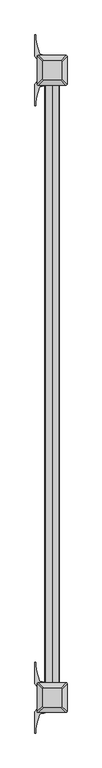
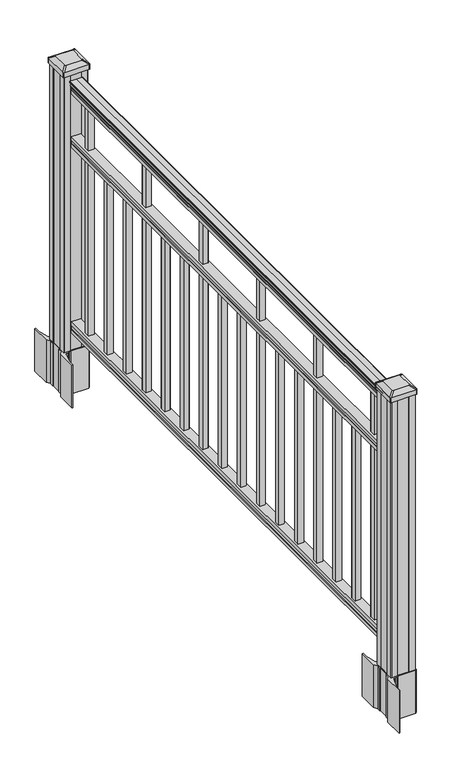
"""IFC4 building model written with IfcOpenShell, lengths in millimetres: railing geometry."""

from ifc_helpers import new_model, si_unit, point, frame, frame_2d, origin, origin_with_axes, place, context, project, spatial, polyline, circle_curve, trimmed, segment, composite_curve, outline, extrude, source, transform, mapped, element, save
from ifc_brep_helpers import plane_surface, extruded_surface, advanced_brep


def railing_216eaa17(model_context):
    return source(origin(), model_context, "Body", "SolidModel", [
        extrude(outline(composite_curve([segment(polyline([(938.4043297, -269.9529214), (940.292412, -269.9529214)]), True, "CONTINUOUS"), segment(trimmed(circle_curve(frame_2d((946.0506383, -276.2676747)), 8.545951), [point((940.292412, -269.9529214))], [point((941.8546695, -268.8227351))], False, "CARTESIAN"), True, "CONTINUOUS"), segment(trimmed(circle_curve(frame_2d((945.4636577, -275.8306117)), 7.882584), [point((941.8546695, -268.8227351))], [point((949.0726458, -268.8227351))], False, "CARTESIAN"), True, "CONTINUOUS"), segment(trimmed(circle_curve(frame_2d((951.3112527, -265.3172876)), 4.1592695), [point((949.0726458, -268.8227351))], [point((951.5060812, -269.4719915))], True, "CARTESIAN"), True, "CONTINUOUS"), segment(trimmed(circle_curve(frame_2d((951.2508864, -264.0299811)), 5.4479907), [point((951.5060812, -269.4719915))], [point((955.8362083, -266.9719915))], True, "CARTESIAN"), True, "CONTINUOUS"), segment(trimmed(circle_curve(frame_2d((955.833395, -265.2631395)), 1.7088543), [point((955.8362083, -266.9719915))], [point((957.5157972, -265.5626491))], True, "CARTESIAN"), True, "CONTINUOUS"), segment(trimmed(circle_curve(frame_2d((958.6205318, -266.8800396)), 1.7192895), [point((957.5157972, -265.5626491))], [point((958.6205318, -265.1607501))], False, "CARTESIAN"), True, "CONTINUOUS"), segment(polyline([(958.6205318, -265.1607501), (959.9608158, -265.1607502)]), True, "CONTINUOUS"), segment(trimmed(circle_curve(frame_2d((959.9608158, -266.7141974)), 1.5534472), [point((959.9608158, -265.1607502))], [point((961.514263, -266.7141974))], False, "CARTESIAN"), True, "CONTINUOUS"), segment(polyline([(961.514263, -266.7141974), (961.514263, -287.3857502), (961.514263, -308.0573029)]), True, "CONTINUOUS"), segment(trimmed(circle_curve(frame_2d((959.9608158, -308.0573029)), 1.5534472), [point((961.514263, -308.0573029))], [point((959.9608158, -309.6107502))], False, "CARTESIAN"), True, "CONTINUOUS"), segment(polyline([(959.9608158, -309.6107502), (958.6205318, -309.6107502)]), True, "CONTINUOUS"), segment(trimmed(circle_curve(frame_2d((958.6205318, -307.8914607)), 1.7192895), [point((958.6205318, -309.6107502))], [point((957.5157972, -309.2088512))], False, "CARTESIAN"), True, "CONTINUOUS"), segment(trimmed(circle_curve(frame_2d((955.833395, -309.5083608)), 1.7088543), [point((957.5157972, -309.2088512))], [point((955.8362083, -307.7995088))], True, "CARTESIAN"), True, "CONTINUOUS"), segment(trimmed(circle_curve(frame_2d((951.2508864, -310.7415193)), 5.4479907), [point((955.8362083, -307.7995088))], [point((951.5060812, -305.2995088))], True, "CARTESIAN"), True, "CONTINUOUS"), segment(trimmed(circle_curve(frame_2d((951.3112527, -309.4542127)), 4.1592695), [point((951.5060812, -305.2995088))], [point((949.0726458, -305.9487652))], True, "CARTESIAN"), True, "CONTINUOUS"), segment(trimmed(circle_curve(frame_2d((945.4636577, -298.9408886)), 7.882584), [point((949.0726458, -305.9487652))], [point((941.8546695, -305.9487652))], False, "CARTESIAN"), True, "CONTINUOUS"), segment(trimmed(circle_curve(frame_2d((946.0506383, -298.5038256)), 8.545951), [point((941.8546695, -305.9487652))], [point((940.292412, -304.8185789))], False, "CARTESIAN"), True, "CONTINUOUS"), segment(polyline([(940.292412, -304.8185789), (938.4043297, -304.8185789)]), True, "CONTINUOUS"), segment(trimmed(circle_curve(frame_2d((938.4043297, -303.5316645)), 1.2869144), [point((938.4043297, -304.8185789))], [point((938.4043297, -302.2447502))], False, "CARTESIAN"), True, "CONTINUOUS"), segment(polyline([(938.4043297, -302.2447502), (927.9048283, -302.2447502), (926.8888283, -303.2607502), (914.4, -303.2607502), (914.4, -271.5107502), (926.731013, -271.5107502), (927.747013, -272.5267502), (938.4043297, -272.5267502)]), True, "CONTINUOUS"), segment(trimmed(circle_curve(frame_2d((938.4043297, -271.2398358)), 1.2869144), [point((938.4043297, -272.5267502))], [point((938.4043297, -269.9529214))], False, "CARTESIAN"), True, "CONTINUOUS")], self_intersect=False)), frame((0.0, -114491.7191011, 0.0), z_axis=(0.0, 1.0, 0.0), x_axis=(0.0, 0.0, 1.0)), (0.0, 0.0, 1.0), 1828.8),
        extrude(outline(polyline([(736.4541976, -271.4732633), (737.7546183, -272.4892633), (748.1141717, -272.4892633), (749.4624492, -271.4732633), (761.9958781, -271.4732633), (761.9958781, -303.2232633), (749.4458024, -303.2232633), (748.0975248, -302.2072633), (737.7858283, -302.2072633), (736.4375508, -303.2232633), (723.9, -303.2232633), (723.9, -271.4732633), (736.4541976, -271.4732633)])), frame((0.0, -114491.7191011, 0.0), z_axis=(0.0, 1.0, 0.0), x_axis=(0.0, 0.0, 1.0)), (0.0, 0.0, 1.0), 1828.8),
        extrude(outline(polyline([(76.0541976, -271.4732633), (77.3546183, -272.4892633), (87.7141717, -272.4892633), (89.0624492, -271.4732633), (101.5958781, -271.4732633), (101.5958781, -303.2232633), (89.0458024, -303.2232633), (87.6975248, -302.2072633), (77.3858283, -302.2072633), (76.0375508, -303.2232633), (63.5, -303.2232633), (63.5, -271.4732633), (76.0541976, -271.4732633)])), frame((0.0, -114491.7191011, 0.0), z_axis=(0.0, 1.0, 0.0), x_axis=(0.0, 0.0, 1.0)), (0.0, 0.0, 1.0), 1828.8),
        extrude(outline(polyline([(-277.8607502, -112751.4381011), (-296.9107502, -112751.4381011), (-296.9107502, -112732.3881011), (-277.8607502, -112732.3881011), (-277.8607502, -112751.4381011)]), holes=[polyline([(-278.2576252, -112751.0412261), (-278.2576252, -112732.7849761), (-296.5138752, -112732.7849761), (-296.5138752, -112751.0412261), (-278.2576252, -112751.0412261)])]), frame((0.0, 0.0, 101.5958781), z_axis=(0.0, 0.0, 1.0), x_axis=(1.0, 0.0, 0.0)), (0.0, 0.0, 1.0), 812.8041219),
        extrude(outline(polyline([(-277.8607502, -112862.6901011), (-296.9107502, -112862.6901011), (-296.9107502, -112843.6401011), (-277.8607502, -112843.6401011), (-277.8607502, -112862.6901011)]), holes=[polyline([(-278.2576252, -112862.2932261), (-278.2576252, -112844.0369761), (-296.5138752, -112844.0369761), (-296.5138752, -112862.2932261), (-278.2576252, -112862.2932261)])]), frame((0.0, 0.0, 101.5958781), z_axis=(0.0, 0.0, 1.0), x_axis=(1.0, 0.0, 0.0)), (0.0, 0.0, 1.0), 622.3041219),
        extrude(outline(polyline([(-277.8607502, -112973.9421011), (-296.9107502, -112973.9421011), (-296.9107502, -112954.8921011), (-277.8607502, -112954.8921011), (-277.8607502, -112973.9421011)]), holes=[polyline([(-278.2576252, -112973.5452261), (-278.2576252, -112955.2889761), (-296.5138752, -112955.2889761), (-296.5138752, -112973.5452261), (-278.2576252, -112973.5452261)])]), frame((0.0, 0.0, 101.5958781), z_axis=(0.0, 0.0, 1.0), x_axis=(1.0, 0.0, 0.0)), (0.0, 0.0, 1.0), 622.3041219),
        extrude(outline(polyline([(-277.8607502, -113085.1941011), (-296.9107502, -113085.1941011), (-296.9107502, -113066.1441011), (-277.8607502, -113066.1441011), (-277.8607502, -113085.1941011)]), holes=[polyline([(-278.2576252, -113084.7972261), (-278.2576252, -113066.5409761), (-296.5138752, -113066.5409761), (-296.5138752, -113084.7972261), (-278.2576252, -113084.7972261)])]), frame((0.0, 0.0, 101.5958781), z_axis=(0.0, 0.0, 1.0), x_axis=(1.0, 0.0, 0.0)), (0.0, 0.0, 1.0), 812.8041219),
        extrude(outline(polyline([(-277.8607502, -113196.4461011), (-296.9107502, -113196.4461011), (-296.9107502, -113177.3961011), (-277.8607502, -113177.3961011), (-277.8607502, -113196.4461011)]), holes=[polyline([(-278.2576252, -113196.0492261), (-278.2576252, -113177.7929761), (-296.5138752, -113177.7929761), (-296.5138752, -113196.0492261), (-278.2576252, -113196.0492261)])]), frame((0.0, 0.0, 101.5958781), z_axis=(0.0, 0.0, 1.0), x_axis=(1.0, 0.0, 0.0)), (0.0, 0.0, 1.0), 622.3041219),
        extrude(outline(polyline([(-277.8607502, -113307.6981011), (-296.9107502, -113307.6981011), (-296.9107502, -113288.6481011), (-277.8607502, -113288.6481011), (-277.8607502, -113307.6981011)]), holes=[polyline([(-278.2576252, -113307.3012261), (-278.2576252, -113289.0449761), (-296.5138752, -113289.0449761), (-296.5138752, -113307.3012261), (-278.2576252, -113307.3012261)])]), frame((0.0, 0.0, 101.5958781), z_axis=(0.0, 0.0, 1.0), x_axis=(1.0, 0.0, 0.0)), (0.0, 0.0, 1.0), 622.3041219),
        extrude(outline(polyline([(-277.8607502, -113418.9501011), (-296.9107502, -113418.9501011), (-296.9107502, -113399.9001011), (-277.8607502, -113399.9001011), (-277.8607502, -113418.9501011)]), holes=[polyline([(-278.2576252, -113418.5532261), (-278.2576252, -113400.2969761), (-296.5138752, -113400.2969761), (-296.5138752, -113418.5532261), (-278.2576252, -113418.5532261)])]), frame((0.0, 0.0, 101.5958781), z_axis=(0.0, 0.0, 1.0), x_axis=(1.0, 0.0, 0.0)), (0.0, 0.0, 1.0), 812.8041219),
        extrude(outline(polyline([(-277.8607502, -113530.2021011), (-296.9107502, -113530.2021011), (-296.9107502, -113511.1521011), (-277.8607502, -113511.1521011), (-277.8607502, -113530.2021011)]), holes=[polyline([(-278.2576252, -113529.8052261), (-278.2576252, -113511.5489761), (-296.5138752, -113511.5489761), (-296.5138752, -113529.8052261), (-278.2576252, -113529.8052261)])]), frame((0.0, 0.0, 101.5958781), z_axis=(0.0, 0.0, 1.0), x_axis=(1.0, 0.0, 0.0)), (0.0, 0.0, 1.0), 622.3041219),
        extrude(outline(polyline([(-277.8607502, -113641.4541011), (-296.9107502, -113641.4541011), (-296.9107502, -113622.4041011), (-277.8607502, -113622.4041011), (-277.8607502, -113641.4541011)]), holes=[polyline([(-278.2576252, -113641.0572261), (-278.2576252, -113622.8009761), (-296.5138752, -113622.8009761), (-296.5138752, -113641.0572261), (-278.2576252, -113641.0572261)])]), frame((0.0, 0.0, 101.5958781), z_axis=(0.0, 0.0, 1.0), x_axis=(1.0, 0.0, 0.0)), (0.0, 0.0, 1.0), 622.3041219),
        extrude(outline(polyline([(-277.8607502, -113752.7061011), (-296.9107502, -113752.7061011), (-296.9107502, -113733.6561011), (-277.8607502, -113733.6561011), (-277.8607502, -113752.7061011)]), holes=[polyline([(-278.2576252, -113752.3092261), (-278.2576252, -113734.0529761), (-296.5138752, -113734.0529761), (-296.5138752, -113752.3092261), (-278.2576252, -113752.3092261)])]), frame((0.0, 0.0, 101.5958781), z_axis=(0.0, 0.0, 1.0), x_axis=(1.0, 0.0, 0.0)), (0.0, 0.0, 1.0), 812.8041219),
        extrude(outline(polyline([(-277.8607502, -113863.9581011), (-296.9107502, -113863.9581011), (-296.9107502, -113844.9081011), (-277.8607502, -113844.9081011), (-277.8607502, -113863.9581011)]), holes=[polyline([(-278.2576252, -113863.5612261), (-278.2576252, -113845.3049761), (-296.5138752, -113845.3049761), (-296.5138752, -113863.5612261), (-278.2576252, -113863.5612261)])]), frame((0.0, 0.0, 101.5958781), z_axis=(0.0, 0.0, 1.0), x_axis=(1.0, 0.0, 0.0)), (0.0, 0.0, 1.0), 622.3041219),
        extrude(outline(polyline([(-277.8607502, -113975.2101011), (-296.9107502, -113975.2101011), (-296.9107502, -113956.1601011), (-277.8607502, -113956.1601011), (-277.8607502, -113975.2101011)]), holes=[polyline([(-278.2576252, -113974.8132261), (-278.2576252, -113956.5569761), (-296.5138752, -113956.5569761), (-296.5138752, -113974.8132261), (-278.2576252, -113974.8132261)])]), frame((0.0, 0.0, 101.5958781), z_axis=(0.0, 0.0, 1.0), x_axis=(1.0, 0.0, 0.0)), (0.0, 0.0, 1.0), 622.3041219),
        extrude(outline(polyline([(-277.8607502, -114086.4621011), (-296.9107502, -114086.4621011), (-296.9107502, -114067.4121011), (-277.8607502, -114067.4121011), (-277.8607502, -114086.4621011)]), holes=[polyline([(-278.2576252, -114086.0652261), (-278.2576252, -114067.8089761), (-296.5138752, -114067.8089761), (-296.5138752, -114086.0652261), (-278.2576252, -114086.0652261)])]), frame((0.0, 0.0, 101.5958781), z_axis=(0.0, 0.0, 1.0), x_axis=(1.0, 0.0, 0.0)), (0.0, 0.0, 1.0), 812.8041219),
        extrude(outline(polyline([(-277.8607502, -114197.7141011), (-296.9107502, -114197.7141011), (-296.9107502, -114178.6641011), (-277.8607502, -114178.6641011), (-277.8607502, -114197.7141011)]), holes=[polyline([(-278.2576252, -114197.3172261), (-278.2576252, -114179.0609761), (-296.5138752, -114179.0609761), (-296.5138752, -114197.3172261), (-278.2576252, -114197.3172261)])]), frame((0.0, 0.0, 101.5958781), z_axis=(0.0, 0.0, 1.0), x_axis=(1.0, 0.0, 0.0)), (0.0, 0.0, 1.0), 622.3041219),
        extrude(outline(polyline([(-277.8607502, -114308.9661011), (-296.9107502, -114308.9661011), (-296.9107502, -114289.9161011), (-277.8607502, -114289.9161011), (-277.8607502, -114308.9661011)]), holes=[polyline([(-278.2576252, -114308.5692261), (-278.2576252, -114290.3129761), (-296.5138752, -114290.3129761), (-296.5138752, -114308.5692261), (-278.2576252, -114308.5692261)])]), frame((0.0, 0.0, 101.5958781), z_axis=(0.0, 0.0, 1.0), x_axis=(1.0, 0.0, 0.0)), (0.0, 0.0, 1.0), 622.3041219),
        extrude(outline(polyline([(-277.8607502, -114420.2181011), (-296.9107502, -114420.2181011), (-296.9107502, -114401.1681011), (-277.8607502, -114401.1681011), (-277.8607502, -114420.2181011)]), holes=[polyline([(-278.2576252, -114419.8212261), (-278.2576252, -114401.5649761), (-296.5138752, -114401.5649761), (-296.5138752, -114419.8212261), (-278.2576252, -114419.8212261)])]), frame((0.0, 0.0, 101.5958781), z_axis=(0.0, 0.0, 1.0), x_axis=(1.0, 0.0, 0.0)), (0.0, 0.0, 1.0), 812.8041219),
        extrude(outline(composite_curve([segment(polyline([(-244.6502502, -112638.903196), (-243.0627502, -112639.665196), (-243.0627502, -112662.4671241), (-246.4357272, -112665.8401011), (-307.895398, -112665.8401011), (-307.895398, -112666.7608511), (-313.2129419, -112666.7608511), (-313.2129419, -112668.2151058), (-318.2974716, -112668.2151058), (-318.2974716, -112669.4991297), (-319.9647439, -112669.4991297)]), True, "CONTINUOUS"), segment(trimmed(circle_curve(frame_2d((-319.9647439, -112676.5585895)), 7.0594599), [point((-319.9647439, -112669.4991297))], [point((-326.7320067, -112674.5485828))], True, "CARTESIAN"), True, "CONTINUOUS"), segment(polyline([(-326.7320067, -112674.5485828), (-334.606201, -112701.0593119)]), True, "CONTINUOUS"), segment(trimmed(circle_curve(frame_2d((-279.8216877, -112717.3313616)), 57.15), [point((-334.606201, -112701.0593119))], [point((-336.9716877, -112717.3313616))], True, "CARTESIAN"), True, "CONTINUOUS"), segment(polyline([(-336.9716877, -112717.3313616), (-336.9716877, -112729.3401011), (-339.9716877, -112729.3401011), (-339.9716877, -112664.2526011), (-331.7087502, -112652.9143098), (-331.7087502, -112639.665196), (-330.1212502, -112638.903196), (-330.1212502, -112604.1310063), (-331.7087502, -112603.3690063), (-331.7087502, -112590.1198925), (-339.9716877, -112578.7816011), (-339.9716877, -112513.6941011), (-336.9716877, -112513.6941011), (-336.9716877, -112525.7028407)]), True, "CONTINUOUS"), segment(trimmed(circle_curve(frame_2d((-279.8216877, -112525.7028407)), 57.15), [point((-336.9716877, -112525.7028407))], [point((-334.606201, -112541.9748904))], True, "CARTESIAN"), True, "CONTINUOUS"), segment(polyline([(-334.606201, -112541.9748904), (-326.7320067, -112568.4856194)]), True, "CONTINUOUS"), segment(trimmed(circle_curve(frame_2d((-319.9647439, -112566.4756128)), 7.0594599), [point((-326.7320067, -112568.4856194))], [point((-319.9647439, -112573.5350726))], True, "CARTESIAN"), True, "CONTINUOUS"), segment(polyline([(-319.9647439, -112573.5350726), (-318.2974716, -112573.5350726), (-318.2974716, -112574.8190965), (-313.2129419, -112574.8190965), (-313.2129419, -112576.2733511), (-307.895398, -112576.2733511), (-307.895398, -112577.1941011), (-246.4357272, -112577.1941011), (-243.0627502, -112580.5670782), (-243.0627502, -112603.3690063), (-244.6502502, -112604.1310063), (-244.6502502, -112638.903196)]), True, "CONTINUOUS")], self_intersect=False), holes=[polyline([(-328.6607502, -112581.8296011), (-328.6607502, -112661.2046011), (-327.0732502, -112662.7921011), (-290.1489675, -112662.7921011), (-247.6982502, -112662.7921011), (-246.1107502, -112661.2046011), (-246.1107502, -112581.8296011), (-247.6982502, -112580.2421011), (-290.1489675, -112580.2421011), (-327.0732502, -112580.2421011), (-328.6607502, -112581.8296011)])]), frame((0.0, 0.0, -152.4), z_axis=(0.0, 0.0, 1.0), x_axis=(1.0, 0.0, 0.0)), (0.0, 0.0, 1.0), 152.4),
        advanced_brep(
        [(-313.1826252, -112650.4889761, 1012.825), (-261.5888752, -112650.4889761, 1012.825), (-258.4138752, -112647.3139761, 1012.825), (-258.4138752, -112595.7202261, 1012.825), (-261.5888752, -112592.5452261, 1012.825), (-313.1826252, -112592.5452261, 1012.825), (-316.3576252, -112595.7202261, 1012.825), (-316.3576252, -112647.3139761, 1012.825), (-329.4545002, -112666.7608511, 1001.522), (-332.6295002, -112663.5858511, 1001.522), (-332.6295002, -112579.4483511, 1001.522), (-329.4545002, -112576.2733511, 1001.522), (-245.3170002, -112576.2733511, 1001.522), (-242.1420002, -112579.4483511, 1001.522), (-242.1420002, -112663.5858511, 1001.522), (-245.3170002, -112666.7608511, 1001.522)],
        [
            (0, 1),
            (1, 2, circle_curve(frame((-261.5888752, -112647.3139761, 1012.825), z_axis=(0.0, 0.0, 1.0), x_axis=(0.0, 1.0, 0.0)), 3.175)),
            (2, 3),
            (3, 4, circle_curve(frame((-261.5888752, -112595.7202261, 1012.825), z_axis=(0.0, 0.0, 1.0), x_axis=(0.0, 1.0, 0.0)), 3.175)),
            (4, 5),
            (5, 6, circle_curve(frame((-313.1826252, -112595.7202261, 1012.825), z_axis=(0.0, 0.0, 1.0), x_axis=(0.0, 1.0, 0.0)), 3.175)),
            (6, 7),
            (7, 0, circle_curve(frame((-313.1826252, -112647.3139761, 1012.825), z_axis=(0.0, 0.0, 1.0), x_axis=(0.0, 1.0, 0.0)), 3.175)),
            (8, 9, circle_curve(frame((-329.4545002, -112663.5858511, 1001.522), z_axis=(0.0, 0.0, -1.0), x_axis=(0.0, 1.0, 0.0)), 3.175)),
            (9, 10),
            (10, 11, circle_curve(frame((-329.4545002, -112579.4483511, 1001.522), z_axis=(0.0, 0.0, -1.0), x_axis=(0.0, 1.0, 0.0)), 3.175)),
            (11, 12),
            (12, 13, circle_curve(frame((-245.3170002, -112579.4483511, 1001.522), z_axis=(0.0, 0.0, -1.0), x_axis=(0.0, 1.0, 0.0)), 3.175)),
            (13, 14),
            (14, 15, circle_curve(frame((-245.3170002, -112663.5858511, 1001.522), z_axis=(0.0, 0.0, -1.0), x_axis=(0.0, 1.0, 0.0)), 3.175)),
            (15, 8),
            (8, 0),
            (7, 9),
            (6, 10),
            (5, 11),
            (4, 12),
            (3, 13),
            (2, 14),
            (1, 15),
        ],
        [
            plane_surface(frame((-287.3857502, -112621.5171011, 1012.825), z_axis=(0.0, 0.0, 1.0), x_axis=(-1.0, 0.0, 0.0))),
            plane_surface(frame((-287.3857502, -112621.5171011, 1001.522), z_axis=(0.0, 0.0, -1.0), x_axis=(-1.0, 0.0, 0.0))),
            extruded_surface(trimmed(circle_curve(frame((-313.1826252, -112647.3139761, 1012.825), z_axis=(0.0, 0.0, -1.0), x_axis=(0.0, 1.0, 0.0)), 3.175), [point((-313.1826252, -112650.4889761, 1012.825))], [point((-316.3576252, -112647.3139761, 1012.825))], True, "CARTESIAN"), (-16.271874999999966, -16.27187499999127, -11.302999999999997), 25.6379726388606),
            plane_surface(frame((-332.6295002, -112621.5171011, 1001.522), z_axis=(-0.5705009161540779, 0.0, 0.8212969649690408), x_axis=(0.0, 1.0, 0.0))),
            extruded_surface(trimmed(circle_curve(frame((-313.1826252, -112595.7202261, 1012.825), z_axis=(0.0, 0.0, -1.0), x_axis=(0.0, 1.0, 0.0)), 3.175), [point((-316.3576252, -112595.7202261, 1012.825))], [point((-313.1826252, -112592.5452261, 1012.825))], True, "CARTESIAN"), (-16.271874999999966, 16.27187500000582, -11.302999999999997), 25.637972638869837),
            plane_surface(frame((-287.3857502, -112576.2733511, 1001.522), z_axis=(0.0, 0.5705009161540291, 0.8212969649690747), x_axis=(1.0, 0.0, 0.0))),
            extruded_surface(trimmed(circle_curve(frame((-261.5888752, -112595.7202261, 1012.825), z_axis=(0.0, 0.0, -1.0), x_axis=(0.0, 1.0, 0.0)), 3.175), [point((-261.5888752, -112592.5452261, 1012.825))], [point((-258.4138752, -112595.7202261, 1012.825))], True, "CARTESIAN"), (16.271875000000023, 16.27187500000582, -11.302999999999997), 25.637972638869872),
            plane_surface(frame((-242.1420002, -112621.5171011, 1001.522), z_axis=(0.5705009161540141, 0.0, 0.8212969649690851), x_axis=(0.0, -1.0, 0.0))),
            extruded_surface(trimmed(circle_curve(frame((-261.5888752, -112647.3139761, 1012.825), z_axis=(0.0, 0.0, -1.0), x_axis=(0.0, 1.0, 0.0)), 3.175), [point((-258.4138752, -112647.3139761, 1012.825))], [point((-261.5888752, -112650.4889761, 1012.825))], True, "CARTESIAN"), (16.271875000000023, -16.27187499999127, -11.302999999999997), 25.637972638860635),
            plane_surface(frame((-287.3857502, -112666.7608511, 1001.522), z_axis=(0.0, -0.570500916154034, 0.8212969649690713), x_axis=(-1.0, 0.0, 0.0))),
        ],
        [
            (0, [[1, 2, 3, 4, 5, 6, 7, 8]]),
            (1, [[9, 10, 11, 12, 13, 14, 15, 16]]),
            (2, [[17, -8, 18, -9]]),
            (3, [[-18, -7, 19, -10]]),
            (4, [[-19, -6, 20, -11]]),
            (5, [[-20, -5, 21, -12]]),
            (6, [[-21, -4, 22, -13]]),
            (7, [[-22, -3, 23, -14]]),
            (8, [[-23, -2, 24, -15]]),
            (9, [[-24, -1, -17, -16]]),
        ],
    ),
        extrude(outline(composite_curve([segment(trimmed(circle_curve(frame_2d((-329.4545002, -112663.5858511)), 3.175), [point((-329.4545002, -112666.7608511))], [point((-332.6295002, -112663.5858511))], False, "CARTESIAN"), True, "CONTINUOUS"), segment(polyline([(-332.6295002, -112663.5858511), (-332.6295002, -112579.4483511)]), True, "CONTINUOUS"), segment(trimmed(circle_curve(frame_2d((-329.4545002, -112579.4483511)), 3.175), [point((-332.6295002, -112579.4483511))], [point((-329.4545002, -112576.2733511))], False, "CARTESIAN"), True, "CONTINUOUS"), segment(polyline([(-329.4545002, -112576.2733511), (-245.3170002, -112576.2733511)]), True, "CONTINUOUS"), segment(trimmed(circle_curve(frame_2d((-245.3170002, -112579.4483511)), 3.175), [point((-245.3170002, -112576.2733511))], [point((-242.1420002, -112579.4483511))], False, "CARTESIAN"), True, "CONTINUOUS"), segment(polyline([(-242.1420002, -112579.4483511), (-242.1420002, -112663.5858511)]), True, "CONTINUOUS"), segment(trimmed(circle_curve(frame_2d((-245.3170002, -112663.5858511)), 3.175), [point((-242.1420002, -112663.5858511))], [point((-245.3170002, -112666.7608511))], False, "CARTESIAN"), True, "CONTINUOUS"), segment(polyline([(-245.3170002, -112666.7608511), (-329.4545002, -112666.7608511)]), True, "CONTINUOUS")], self_intersect=False)), frame((0.0, 0.0, 984.25), z_axis=(0.0, 0.0, 1.0), x_axis=(1.0, 0.0, 0.0)), (0.0, 0.0, 1.0), 17.272),
        extrude(outline(polyline([(-327.0732502, -112662.7921011), (-328.6607502, -112661.2046011), (-328.6607502, -112641.5831011), (-327.0732502, -112640.8211011), (-327.0732502, -112602.2131011), (-328.6607502, -112601.4511011), (-328.6607502, -112581.8296011), (-327.0732502, -112580.2421011), (-307.4517502, -112580.2421011), (-306.6897502, -112581.8296011), (-268.0817502, -112581.8296011), (-267.3197502, -112580.2421011), (-247.6982502, -112580.2421011), (-246.1107502, -112581.8296011), (-246.1107502, -112601.4511011), (-247.6982502, -112602.2131011), (-247.6982502, -112640.8211011), (-246.1107502, -112641.5831011), (-246.1107502, -112661.2046011), (-247.6982502, -112662.7921011), (-267.3197502, -112662.7921011), (-268.0817502, -112661.2046011), (-306.6897502, -112661.2046011), (-307.4517502, -112662.7921011), (-327.0732502, -112662.7921011)])), origin_with_axes(), (0.0, 0.0, 1.0), 984.25),
        extrude(outline(composite_curve([segment(polyline([(-244.6502502, -114550.507196), (-243.0627502, -114551.269196), (-243.0627502, -114574.0711241), (-246.4357272, -114577.4441011), (-307.895398, -114577.4441011), (-307.895398, -114578.3648511), (-313.2129419, -114578.3648511), (-313.2129419, -114579.8191058), (-318.2974716, -114579.8191058), (-318.2974716, -114581.1031297), (-319.9647439, -114581.1031297)]), True, "CONTINUOUS"), segment(trimmed(circle_curve(frame_2d((-319.9647439, -114588.1625895)), 7.0594599), [point((-319.9647439, -114581.1031297))], [point((-326.7320067, -114586.1525828))], True, "CARTESIAN"), True, "CONTINUOUS"), segment(polyline([(-326.7320067, -114586.1525828), (-334.606201, -114612.6633119)]), True, "CONTINUOUS"), segment(trimmed(circle_curve(frame_2d((-279.8216877, -114628.9353616)), 57.15), [point((-334.606201, -114612.6633119))], [point((-336.9716877, -114628.9353616))], True, "CARTESIAN"), True, "CONTINUOUS"), segment(polyline([(-336.9716877, -114628.9353616), (-336.9716877, -114640.9441011), (-339.9716877, -114640.9441011), (-339.9716877, -114575.8566011), (-331.7087502, -114564.5183098), (-331.7087502, -114551.269196), (-330.1212502, -114550.507196), (-330.1212502, -114515.7350063), (-331.7087502, -114514.9730063), (-331.7087502, -114501.7238925), (-339.9716877, -114490.3856011), (-339.9716877, -114425.2981011), (-336.9716877, -114425.2981011), (-336.9716877, -114437.3068407)]), True, "CONTINUOUS"), segment(trimmed(circle_curve(frame_2d((-279.8216877, -114437.3068407)), 57.15), [point((-336.9716877, -114437.3068407))], [point((-334.606201, -114453.5788904))], True, "CARTESIAN"), True, "CONTINUOUS"), segment(polyline([(-334.606201, -114453.5788904), (-326.7320067, -114480.0896194)]), True, "CONTINUOUS"), segment(trimmed(circle_curve(frame_2d((-319.9647439, -114478.0796128)), 7.0594599), [point((-326.7320067, -114480.0896194))], [point((-319.9647439, -114485.1390726))], True, "CARTESIAN"), True, "CONTINUOUS"), segment(polyline([(-319.9647439, -114485.1390726), (-318.2974716, -114485.1390726), (-318.2974716, -114486.4230965), (-313.2129419, -114486.4230965), (-313.2129419, -114487.8773511), (-307.895398, -114487.8773511), (-307.895398, -114488.7981011), (-246.4357272, -114488.7981011), (-243.0627502, -114492.1710782), (-243.0627502, -114514.9730063), (-244.6502502, -114515.7350063), (-244.6502502, -114550.507196)]), True, "CONTINUOUS")], self_intersect=False), holes=[polyline([(-328.6607502, -114493.4336011), (-328.6607502, -114572.8086011), (-327.0732502, -114574.3961011), (-290.1489675, -114574.3961011), (-247.6982502, -114574.3961011), (-246.1107502, -114572.8086011), (-246.1107502, -114493.4336011), (-247.6982502, -114491.8461011), (-290.1489675, -114491.8461011), (-327.0732502, -114491.8461011), (-328.6607502, -114493.4336011)])]), frame((0.0, 0.0, -152.4), z_axis=(0.0, 0.0, 1.0), x_axis=(1.0, 0.0, 0.0)), (0.0, 0.0, 1.0), 152.4),
        advanced_brep(
        [(-313.1826252, -114562.0929761, 1012.825), (-261.5888752, -114562.0929761, 1012.825), (-258.4138752, -114558.9179761, 1012.825), (-258.4138752, -114507.3242261, 1012.825), (-261.5888752, -114504.1492261, 1012.825), (-313.1826252, -114504.1492261, 1012.825), (-316.3576252, -114507.3242261, 1012.825), (-316.3576252, -114558.9179761, 1012.825), (-329.4545002, -114578.3648511, 1001.522), (-332.6295002, -114575.1898511, 1001.522), (-332.6295002, -114491.0523511, 1001.522), (-329.4545002, -114487.8773511, 1001.522), (-245.3170002, -114487.8773511, 1001.522), (-242.1420002, -114491.0523511, 1001.522), (-242.1420002, -114575.1898511, 1001.522), (-245.3170002, -114578.3648511, 1001.522)],
        [
            (0, 1),
            (1, 2, circle_curve(frame((-261.5888752, -114558.9179761, 1012.825), z_axis=(0.0, 0.0, 1.0), x_axis=(0.0, 1.0, 0.0)), 3.175)),
            (2, 3),
            (3, 4, circle_curve(frame((-261.5888752, -114507.3242261, 1012.825), z_axis=(0.0, 0.0, 1.0), x_axis=(0.0, 1.0, 0.0)), 3.175)),
            (4, 5),
            (5, 6, circle_curve(frame((-313.1826252, -114507.3242261, 1012.825), z_axis=(0.0, 0.0, 1.0), x_axis=(0.0, 1.0, 0.0)), 3.175)),
            (6, 7),
            (7, 0, circle_curve(frame((-313.1826252, -114558.9179761, 1012.825), z_axis=(0.0, 0.0, 1.0), x_axis=(0.0, 1.0, 0.0)), 3.175)),
            (8, 9, circle_curve(frame((-329.4545002, -114575.1898511, 1001.522), z_axis=(0.0, 0.0, -1.0), x_axis=(0.0, 1.0, 0.0)), 3.175)),
            (9, 10),
            (10, 11, circle_curve(frame((-329.4545002, -114491.0523511, 1001.522), z_axis=(0.0, 0.0, -1.0), x_axis=(0.0, 1.0, 0.0)), 3.175)),
            (11, 12),
            (12, 13, circle_curve(frame((-245.3170002, -114491.0523511, 1001.522), z_axis=(0.0, 0.0, -1.0), x_axis=(0.0, 1.0, 0.0)), 3.175)),
            (13, 14),
            (14, 15, circle_curve(frame((-245.3170002, -114575.1898511, 1001.522), z_axis=(0.0, 0.0, -1.0), x_axis=(0.0, 1.0, 0.0)), 3.175)),
            (15, 8),
            (8, 0),
            (7, 9),
            (6, 10),
            (5, 11),
            (4, 12),
            (3, 13),
            (2, 14),
            (1, 15),
        ],
        [
            plane_surface(frame((-287.3857502, -114533.1211011, 1012.825), z_axis=(0.0, 0.0, 1.0), x_axis=(-1.0, 0.0, 0.0))),
            plane_surface(frame((-287.3857502, -114533.1211011, 1001.522), z_axis=(0.0, 0.0, -1.0), x_axis=(-1.0, 0.0, 0.0))),
            extruded_surface(trimmed(circle_curve(frame((-313.1826252, -114558.9179761, 1012.825), z_axis=(0.0, 0.0, -1.0), x_axis=(0.0, 1.0, 0.0)), 3.175), [point((-313.1826252, -114562.0929761, 1012.825))], [point((-316.3576252, -114558.9179761, 1012.825))], True, "CARTESIAN"), (-16.271874999999966, -16.27187500000582, -11.302999999999997), 25.637972638869837),
            plane_surface(frame((-332.6295002, -114533.1211011, 1001.522), z_axis=(-0.5705009161540779, 0.0, 0.8212969649690408), x_axis=(0.0, 1.0, 0.0))),
            extruded_surface(trimmed(circle_curve(frame((-313.1826252, -114507.3242261, 1012.825), z_axis=(0.0, 0.0, -1.0), x_axis=(0.0, 1.0, 0.0)), 3.175), [point((-316.3576252, -114507.3242261, 1012.825))], [point((-313.1826252, -114504.1492261, 1012.825))], True, "CARTESIAN"), (-16.271874999999966, 16.27187499999127, -11.302999999999997), 25.6379726388606),
            plane_surface(frame((-287.3857502, -114487.8773511, 1001.522), z_axis=(0.0, 0.5705009161540291, 0.8212969649690747), x_axis=(1.0, 0.0, 0.0))),
            extruded_surface(trimmed(circle_curve(frame((-261.5888752, -114507.3242261, 1012.825), z_axis=(0.0, 0.0, -1.0), x_axis=(0.0, 1.0, 0.0)), 3.175), [point((-261.5888752, -114504.1492261, 1012.825))], [point((-258.4138752, -114507.3242261, 1012.825))], True, "CARTESIAN"), (16.271875000000023, 16.27187499999127, -11.302999999999997), 25.637972638860635),
            plane_surface(frame((-242.1420002, -114533.1211011, 1001.522), z_axis=(0.5705009161540141, 0.0, 0.8212969649690851), x_axis=(0.0, -1.0, 0.0))),
            extruded_surface(trimmed(circle_curve(frame((-261.5888752, -114558.9179761, 1012.825), z_axis=(0.0, 0.0, -1.0), x_axis=(0.0, 1.0, 0.0)), 3.175), [point((-258.4138752, -114558.9179761, 1012.825))], [point((-261.5888752, -114562.0929761, 1012.825))], True, "CARTESIAN"), (16.271875000000023, -16.27187500000582, -11.302999999999997), 25.637972638869872),
            plane_surface(frame((-287.3857502, -114578.3648511, 1001.522), z_axis=(0.0, -0.570500916154034, 0.8212969649690713), x_axis=(-1.0, 0.0, 0.0))),
        ],
        [
            (0, [[1, 2, 3, 4, 5, 6, 7, 8]]),
            (1, [[9, 10, 11, 12, 13, 14, 15, 16]]),
            (2, [[17, -8, 18, -9]]),
            (3, [[-18, -7, 19, -10]]),
            (4, [[-19, -6, 20, -11]]),
            (5, [[-20, -5, 21, -12]]),
            (6, [[-21, -4, 22, -13]]),
            (7, [[-22, -3, 23, -14]]),
            (8, [[-23, -2, 24, -15]]),
            (9, [[-24, -1, -17, -16]]),
        ],
    ),
        extrude(outline(composite_curve([segment(trimmed(circle_curve(frame_2d((-329.4545002, -114575.1898511)), 3.175), [point((-329.4545002, -114578.3648511))], [point((-332.6295002, -114575.1898511))], False, "CARTESIAN"), True, "CONTINUOUS"), segment(polyline([(-332.6295002, -114575.1898511), (-332.6295002, -114491.0523511)]), True, "CONTINUOUS"), segment(trimmed(circle_curve(frame_2d((-329.4545002, -114491.0523511)), 3.175), [point((-332.6295002, -114491.0523511))], [point((-329.4545002, -114487.8773511))], False, "CARTESIAN"), True, "CONTINUOUS"), segment(polyline([(-329.4545002, -114487.8773511), (-245.3170002, -114487.8773511)]), True, "CONTINUOUS"), segment(trimmed(circle_curve(frame_2d((-245.3170002, -114491.0523511)), 3.175), [point((-245.3170002, -114487.8773511))], [point((-242.1420002, -114491.0523511))], False, "CARTESIAN"), True, "CONTINUOUS"), segment(polyline([(-242.1420002, -114491.0523511), (-242.1420002, -114575.1898511)]), True, "CONTINUOUS"), segment(trimmed(circle_curve(frame_2d((-245.3170002, -114575.1898511)), 3.175), [point((-242.1420002, -114575.1898511))], [point((-245.3170002, -114578.3648511))], False, "CARTESIAN"), True, "CONTINUOUS"), segment(polyline([(-245.3170002, -114578.3648511), (-329.4545002, -114578.3648511)]), True, "CONTINUOUS")], self_intersect=False)), frame((0.0, 0.0, 984.25), z_axis=(0.0, 0.0, 1.0), x_axis=(1.0, 0.0, 0.0)), (0.0, 0.0, 1.0), 17.272),
        extrude(outline(polyline([(-327.0732502, -114574.3961011), (-328.6607502, -114572.8086011), (-328.6607502, -114553.1871011), (-327.0732502, -114552.4251011), (-327.0732502, -114513.8171011), (-328.6607502, -114513.0551011), (-328.6607502, -114493.4336011), (-327.0732502, -114491.8461011), (-307.4517502, -114491.8461011), (-306.6897502, -114493.4336011), (-268.0817502, -114493.4336011), (-267.3197502, -114491.8461011), (-247.6982502, -114491.8461011), (-246.1107502, -114493.4336011), (-246.1107502, -114513.0551011), (-247.6982502, -114513.8171011), (-247.6982502, -114552.4251011), (-246.1107502, -114553.1871011), (-246.1107502, -114572.8086011), (-247.6982502, -114574.3961011), (-267.3197502, -114574.3961011), (-268.0817502, -114572.8086011), (-306.6897502, -114572.8086011), (-307.4517502, -114574.3961011), (-327.0732502, -114574.3961011)])), origin_with_axes(), (0.0, 0.0, 1.0), 984.25),
    ])


if __name__ == "__main__":
    model = new_model("IFC4")
    model_context = context("Model", 3, world=origin())
    ifc_project = project(units=[si_unit("LENGTHUNIT", "METRE", prefix="MILLI")], contexts=[model_context])
    site = spatial("IfcSite", under=ifc_project)
    building = spatial("IfcBuilding", under=site)
    placement = place(None, origin())
    railing_shape = railing_216eaa17(model_context)
    element("IfcRailing", 1, at=placement, inside=building, context=model_context, shape_type="MappedRepresentation", body=[
        mapped(railing_shape, transform((0.0, 0.0, 0.0), x_axis=(1.0, 0.0, 0.0), y_axis=(0.0, 1.0, 0.0), z_axis=(0.0, 0.0, 1.0))),
    ])
    save(model, "model.ifc")
